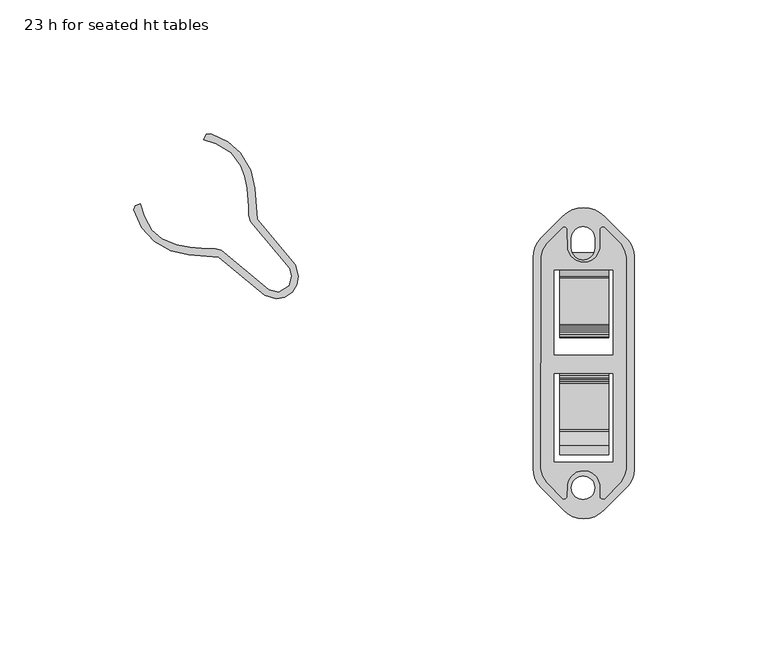
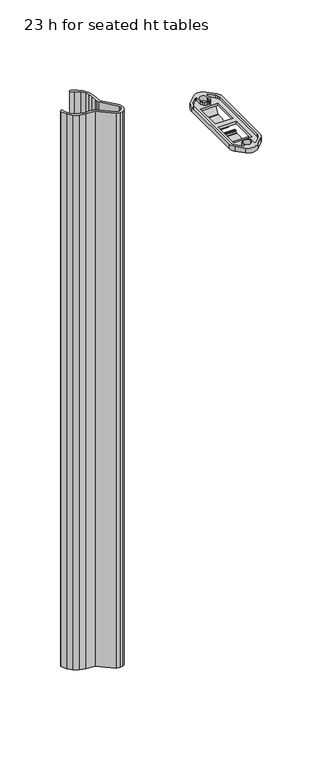
"""IFC4 building model written with IfcOpenShell, lengths in millimetres: furniture geometry, 23 h for seated ht tables."""

from ifc_helpers import new_model, si_unit, point, frame, frame_2d, origin, place, context, project, spatial, polyline, circle_curve, trimmed, segment, composite_curve, outline, extrude, source, transform, mapped, element, save


def furniture_23_h_for_seated_ht_tables_a37dd86e(model_context):
    return source(origin(), model_context, "Body", "SweptSolid", [
        extrude(outline(composite_curve([segment(trimmed(circle_curve(frame_2d((-58.8637798, 677.2332409)), 1.9064956), [point((-57.2127062, 676.2799931))], [point((-58.8637798, 675.3267453))], False, "CARTESIAN"), True, "CONTINUOUS"), segment(polyline([(-58.8637798, 675.3267453), (-80.8822814, 675.3267453), (-81.7940235, 676.0651291), (-82.0496583, 679.2818659), (-81.8808823, 680.1137192), (-80.8494682, 681.1913424), (-80.0232831, 681.3234564), (-79.1920171, 681.0570785), (-78.52005, 680.6268419), (-77.803524, 678.8970783), (-77.1102292, 678.4205812), (-59.8333545, 678.4205812), (-59.1950214, 679.0589144), (-53.8570768, 688.3090765), (-50.2677117, 688.3090765), (-57.2127062, 676.2799931)]), True, "CONTINUOUS")], self_intersect=False)), frame((165.1305559, 0.0, 0.0), z_axis=(1.0, 0.0, 0.0), x_axis=(0.0, 1.0, 0.0)), (0.0, 0.0, 1.0), 18.213336),
        extrude(outline(composite_curve([segment(polyline([(-118.8802485, 676.2799931), (-125.825243, 688.3090765), (-122.2358779, 688.3090765), (-116.8979333, 679.0589144), (-116.2596001, 678.4205812), (-98.9827255, 678.4205812), (-98.2894307, 678.8970783), (-97.5729046, 680.6268419), (-96.9009375, 681.0570785), (-96.0696715, 681.3234564), (-95.2434865, 681.1913424), (-94.2120724, 680.1137192), (-94.0432963, 679.2818659), (-94.2989312, 676.0651291), (-95.2106732, 675.3267453), (-117.2291748, 675.3267453)]), True, "CONTINUOUS"), segment(trimmed(circle_curve(frame_2d((-117.2291748, 677.2332409)), 1.9064956), [point((-117.2291748, 675.3267453))], [point((-118.8802485, 676.2799931))], False, "CARTESIAN"), True, "CONTINUOUS")], self_intersect=False)), frame((165.1305559, 0.0, 0.0), z_axis=(1.0, 0.0, 0.0), x_axis=(0.0, 1.0, 0.0)), (0.0, 0.0, 1.0), 18.213336),
        extrude(outline(composite_curve([segment(trimmed(circle_curve(frame_2d((183.9998791, -131.4667146)), 8.9772407), [point((192.9771199, -131.4667146))], [point((190.3477469, -137.8145824))], False, "CARTESIAN"), True, "CONTINUOUS"), segment(polyline([(190.3477469, -137.8145824), (181.5571893, -146.6051401)]), True, "CONTINUOUS"), segment(trimmed(circle_curve(frame_2d((174.058449, -139.1063998)), 10.6048202), [point((181.5571893, -146.6051401))], [point((166.5597088, -146.6051401))], False, "CARTESIAN"), True, "CONTINUOUS"), segment(polyline([(166.5597088, -146.6051401), (158.1426717, -138.1881031)]), True, "CONTINUOUS"), segment(trimmed(circle_curve(frame_2d((165.3460577, -130.9847171)), 10.1871261), [point((158.1426717, -138.1881031))], [point((155.1589316, -130.9847171))], False, "CARTESIAN"), True, "CONTINUOUS"), segment(polyline([(155.1589316, -130.9847171), (155.1589316, -52.0420281)]), True, "CONTINUOUS"), segment(trimmed(circle_curve(frame_2d((165.5077241, -52.0420281)), 10.3487926), [point((155.1589316, -52.0420281))], [point((158.1900227, -44.7243267))], False, "CARTESIAN"), True, "CONTINUOUS"), segment(polyline([(158.1900227, -44.7243267), (166.3217987, -36.5925507)]), True, "CONTINUOUS"), segment(trimmed(circle_curve(frame_2d((174.0342763, -44.3050283)), 10.9070904), [point((166.3217987, -36.5925507))], [point((181.7467539, -36.5925507))], False, "CARTESIAN"), True, "CONTINUOUS"), segment(polyline([(181.7467539, -36.5925507), (190.2829473, -45.1287441)]), True, "CONTINUOUS"), segment(trimmed(circle_curve(frame_2d((183.7786393, -51.6330521)), 9.1984806), [point((190.2829473, -45.1287441))], [point((192.9771199, -51.6330521))], False, "CARTESIAN"), True, "CONTINUOUS"), segment(polyline([(192.9771199, -51.6330521), (192.9771199, -131.4667146)]), True, "CONTINUOUS")], self_intersect=False), holes=[polyline([(160.1670768, -46.9572037), (158.8435384, -49.3196368), (158.1161482, -51.8161005), (158.0800675, -131.0292205), (158.8435384, -133.6807756), (160.1670768, -136.0432041), (166.4269599, -142.3561454), (167.2073084, -142.3156046), (167.7944273, -141.7492511), (167.9208368, -136.9033714), (168.3287334, -135.503475), (169.250316, -133.932459), (171.1151004, -132.3758135), (173.5532146, -131.6709873), (175.9656401, -131.9513844), (177.497814, -132.7220587), (178.8588683, -133.932459), (179.780469, -135.503475), (180.1883474, -136.9033714), (180.3214062, -141.7924716), (180.9018758, -142.3156046), (181.7175056, -142.3302931), (187.9421256, -136.0432041), (189.2656458, -133.6807756), (189.993036, -131.1843073), (190.0291167, -51.9711873), (189.2656458, -49.3196368), (187.9421256, -46.9572037), (181.7175056, -40.6701193), (180.9018758, -40.6847986), (180.3214062, -41.2079362), (180.1883474, -48.6170316), (179.780469, -50.016937), (178.7961722, -51.6777232), (177.497814, -52.7983488), (175.756732, -53.6323959), (173.3359496, -53.8280234), (171.1248563, -53.1263448), (169.2343467, -51.6010836), (167.9810075, -49.0912441), (167.787778, -41.2079362), (167.2073084, -40.6847986), (166.3916968, -40.6701193), (160.1670768, -46.9572037)]), composite_curve([segment(trimmed(circle_curve(frame_2d((173.8150301, -138.1472837)), 4.3795846), [point((169.4354456, -138.1472837))], [point((178.1946147, -138.1472837))], True, "CARTESIAN"), True, "CONTINUOUS"), segment(trimmed(circle_curve(frame_2d((173.8150301, -138.1472837)), 4.3795846), [point((178.1946147, -138.1472837))], [point((169.4354456, -138.1472837))], True, "CARTESIAN"), True, "CONTINUOUS")], self_intersect=False), composite_curve([segment(trimmed(circle_curve(frame_2d((173.8150301, -44.8794614)), 4.3795846), [point((178.1946147, -44.8794614))], [point((169.4354456, -44.8794614))], True, "CARTESIAN"), True, "CONTINUOUS"), segment(polyline([(169.4354456, -44.8794614), (169.4354456, -48.4862124)]), True, "CONTINUOUS"), segment(trimmed(circle_curve(frame_2d((173.8150301, -48.4862124)), 4.3795846), [point((169.4354456, -48.4862124))], [point((178.1946147, -48.4862124))], True, "CARTESIAN"), True, "CONTINUOUS"), segment(polyline([(178.1946147, -48.4862124), (178.1946147, -44.8794614)]), True, "CONTINUOUS")], self_intersect=False)]), frame((0.0, 0.0, 688.3090765), z_axis=(0.0, 0.0, 1.0), x_axis=(1.0, 0.0, 0.0)), (0.0, 0.0, 1.0), 5.9998518),
        extrude(outline(polyline([(52.0630512, -37.6892647), (66.2408695, -54.8068291), (67.41999, -59.0119912), (66.8595818, -62.2733746), (65.0451849, -65.0407929), (62.277762, -66.8551943), (59.0163832, -67.4156025), (54.7884072, -66.1382005), (37.6864056, -51.9758972), (26.3660801, -51.0576711), (19.5843878, -49.530357), (13.5687632, -46.0466398), (8.868731, -40.9247549), (5.8163442, -34.1769155), (6.2942118, -32.7304331), (8.1947439, -31.9670845), (9.6651577, -36.5686595), (12.5604695, -41.7795719), (16.2844711, -45.0742881), (21.8093883, -47.3129778), (26.6967455, -48.279482), (33.1999448, -48.6702623), (36.3184318, -48.7462797), (38.5999422, -49.2684362), (56.3556671, -64.1194965), (60.0533157, -64.9701213), (63.9638601, -62.6146147), (64.9215142, -59.0992406), (64.0844014, -56.1395602), (49.4842888, -38.6247772), (48.7506671, -36.1552899), (48.7486006, -32.9807244), (48.2236637, -26.0867268), (47.3721766, -21.5755771), (45.91493, -17.6327446), (42.3080099, -12.8772516), (36.6476155, -9.4574538), (32.004024, -8.0420049), (32.8816753, -5.9352045), (34.6369756, -5.7505012), (40.9291469, -8.7055909), (45.6138582, -12.7745269), (49.534749, -19.421246), (51.0620586, -26.2029405), (52.0630512, -37.6892647)])), frame((0.0, 0.0, 14.4230443), z_axis=(0.0, 0.0, 1.0), x_axis=(1.0, 0.0, 0.0)), (0.0, 0.0, 1.0), 714.9997291),
        extrude(outline(polyline([(158.1161482, -51.8161005), (158.8435384, -49.3196368), (160.1670768, -46.9572037), (166.3916968, -40.6701193), (167.2073084, -40.6847986), (167.787778, -41.2079362), (167.9810075, -49.0912441), (169.2343467, -51.6010836), (171.1248563, -53.1263448), (173.3359496, -53.8280234), (175.756732, -53.6323959), (177.497814, -52.7983488), (178.7961722, -51.6777232), (179.780469, -50.016937), (180.1883474, -48.6170316), (180.3214062, -41.2079362), (180.9018758, -40.6847986), (181.7175056, -40.6701193), (187.9421256, -46.9572037), (189.2656458, -49.3196368), (190.0291167, -51.9711873), (189.993036, -131.1843073), (189.2656458, -133.6807756), (187.9421256, -136.0432041), (181.7175056, -142.3302931), (180.9018758, -142.3156046), (180.3214062, -141.7924716), (180.1883474, -136.9033714), (179.780469, -135.503475), (178.8588683, -133.932459), (177.497814, -132.7220587), (175.9656401, -131.9513844), (173.5532146, -131.6709873), (171.1151004, -132.3758135), (169.250316, -133.932459), (168.3287334, -135.503475), (167.9208368, -136.9033714), (167.7944273, -141.7492511), (167.2073084, -142.3156046), (166.4269599, -142.3561454), (160.1670768, -136.0432041), (158.8435384, -133.6807756), (158.0800675, -131.0292205), (158.1161482, -51.8161005)]), holes=[polyline([(184.8597692, -56.7182754), (163.1112466, -56.7182754), (163.1112466, -88.4682754), (184.8597692, -88.4682754), (184.8597692, -56.7182754)]), polyline([(184.8597692, -95.432558), (163.1112466, -95.432558), (163.1112466, -128.4624828), (184.8597692, -128.4624828), (184.8597692, -95.432558)])]), frame((0.0, 0.0, 688.3090765), z_axis=(0.0, 0.0, 1.0), x_axis=(1.0, 0.0, 0.0)), (0.0, 0.0, 1.0), 2.9586711),
    ])


if __name__ == "__main__":
    model = new_model("IFC4")
    model_context = context("Model", 3, world=origin())
    ifc_project = project(units=[si_unit("LENGTHUNIT", "METRE", prefix="MILLI")], contexts=[model_context])
    site = spatial("IfcSite", under=ifc_project)
    building = spatial("IfcBuilding", under=site)
    placement = place(None, origin())
    furniture_23_h_for_seated_ht_tables_shape = furniture_23_h_for_seated_ht_tables_a37dd86e(model_context)
    element("IfcFurniture", 1, ObjectType="23 h for seated ht tables", at=placement, inside=building, context=model_context, shape_type="MappedRepresentation", body=[
        mapped(furniture_23_h_for_seated_ht_tables_shape, transform((0.0, 0.0, 0.0), x_axis=(1.0, 0.0, 0.0), y_axis=(0.0, 1.0, 0.0), z_axis=(0.0, 0.0, 1.0))),
    ])
    save(model, "model.ifc")
